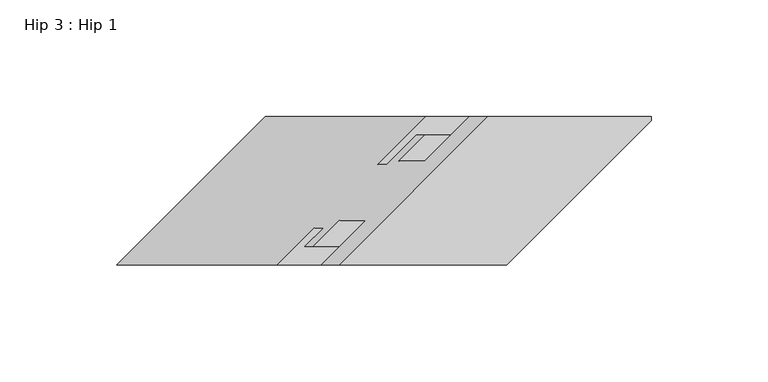
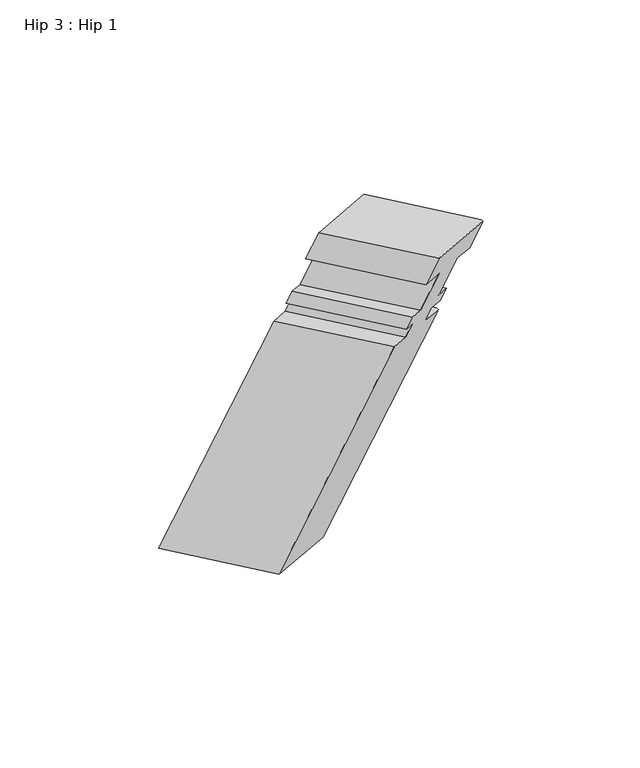
"""IFC4 building model written with IfcOpenShell, lengths in millimetres: proxy geometry, Hip 3 : Hip 1."""

from ifc_helpers import new_model, si_unit, origin, place, context, project, spatial, faceted_brep, source, transform, mapped, element, save


def hip_3_hip_1_0bfab8a9(model_context):
    return source(origin(), model_context, "Body", "Brep", [
        faceted_brep([(15556.8258936, 14428.7248813, 949.4438947), (15556.8258936, 14430.4779755, 949.4438947), (15486.9603403, 14430.4779755, 989.7807908), (15423.4603403, 14366.9779755, 1026.4425329), (15495.0789879, 14366.9779755, 985.0934874), (15548.8883936, 14430.4779755, 935.6957415), (15479.0228403, 14430.4779755, 976.0326375), (15548.8883936, 14428.7248813, 935.6957415), (15531.5914879, 14411.4279755, 945.6821147), (15459.9728403, 14411.4279755, 987.0311601), (15520.3519879, 14411.4279755, 926.2147296), (15448.7333403, 14411.4279755, 967.5637751), (15531.4771879, 14422.5531755, 919.7915924), (15459.8585403, 14422.5531755, 961.1406379), (15527.8957879, 14422.5531755, 913.5884256), (15456.2771403, 14422.5531755, 954.9374711), (15515.3571772, 14410.0145649, 920.8275959), (15443.7385296, 14410.0145649, 962.1766413), (15511.4074772, 14410.0145649, 913.9865148), (15439.7888296, 14410.0145649, 955.3355603), (15530.1177936, 14428.7248813, 903.1841086), (15530.1177936, 14430.4779755, 903.1841086), (15460.2522403, 14430.4779755, 943.5210046), (15461.4488936, 14430.4779755, 784.2460849), (15391.5833403, 14430.4779755, 824.5829809), (15461.4488936, 14428.7248813, 784.2460849), (15399.7019879, 14366.9779755, 819.8956775), (15328.0833403, 14366.9779755, 861.244723), (15468.3708879, 14366.9779755, 938.8337012), (15396.7522403, 14366.9779755, 980.1827467), (15484.2458879, 14382.8529755, 929.6682657), (15412.6272403, 14382.8529755, 971.0173112), (15488.1955879, 14382.8529755, 936.5093468), (15416.5769403, 14382.8529755, 977.8583923), (15480.2453879, 14374.9027755, 941.0993969), (15408.6267403, 14374.9027755, 982.4484424), (15483.8267879, 14374.9027755, 947.3025637), (15412.2081403, 14374.9027755, 988.6516091), (15494.9519879, 14386.0279755, 940.8794265), (15423.3333403, 14386.0279755, 982.2284719), (15506.1914879, 14386.0279755, 960.3468115), (15434.5728403, 14386.0279755, 1001.695857), (15487.1414879, 14366.9779755, 971.3453341), (15415.5228403, 14366.9779755, 1012.6943796)], [[[0, 1, 2, 3, 4]], [[1, 5, 6, 2]], [[5, 7, 8, 9, 6]], [[9, 8, 10, 11]], [[11, 10, 12, 13]], [[13, 12, 14, 15]], [[15, 14, 16, 17]], [[17, 16, 18, 19]], [[20, 21, 22, 19, 18]], [[21, 23, 24, 22]], [[23, 25, 26, 27, 24]], [[27, 26, 28, 29]], [[29, 28, 30, 31]], [[31, 30, 32, 33]], [[33, 32, 34, 35]], [[35, 34, 36, 37]], [[37, 36, 38, 39]], [[39, 38, 40, 41]], [[41, 40, 42, 43]], [[43, 42, 4, 3]], [[25, 20, 18, 16, 14, 12, 10, 8, 7, 0, 4, 42, 40, 38, 36, 34, 32, 30, 28, 26]], [[3, 2, 6, 9, 11, 13, 15, 17, 19, 22, 24, 27, 29, 31, 33, 35, 37, 39, 41, 43]], [[5, 1, 0, 7]], [[23, 21, 20, 25]]]),
    ])


if __name__ == "__main__":
    model = new_model("IFC4")
    model_context = context("Model", 3, world=origin())
    ifc_project = project(units=[si_unit("LENGTHUNIT", "METRE", prefix="MILLI")], contexts=[model_context])
    site = spatial("IfcSite", under=ifc_project)
    building = spatial("IfcBuilding", under=site)
    placement = place(None, origin())
    hip_3_hip_1_shape = hip_3_hip_1_0bfab8a9(model_context)
    element("IfcBuildingElementProxy", 1, Name="Hip 3 : Hip 1", ObjectType="Hip 3 : Hip 1", at=placement, inside=building, context=model_context, shape_type="MappedRepresentation", body=[
        mapped(hip_3_hip_1_shape, transform((0.0, 0.0, 0.0), x_axis=(1.0, 0.0, 0.0), y_axis=(0.0, 1.0, 0.0), z_axis=(0.0, 0.0, 1.0))),
    ])
    save(model, "model.ifc")
